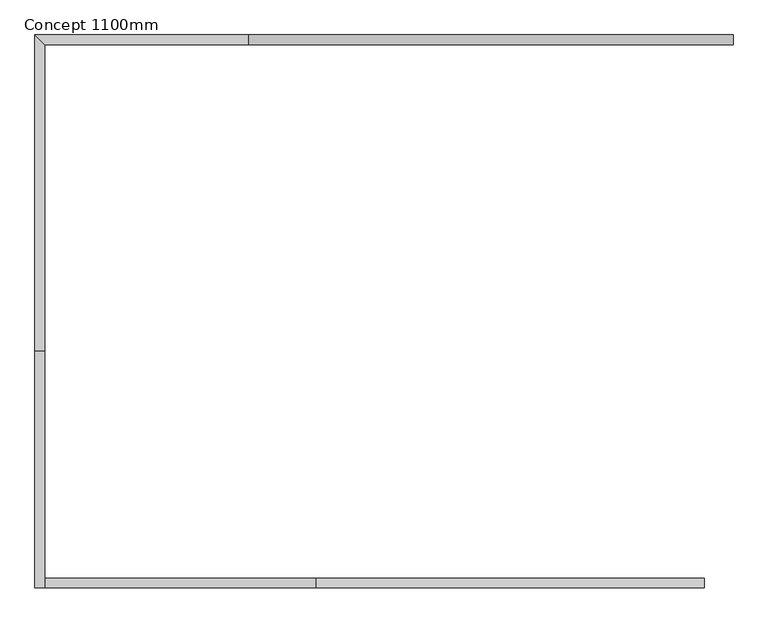
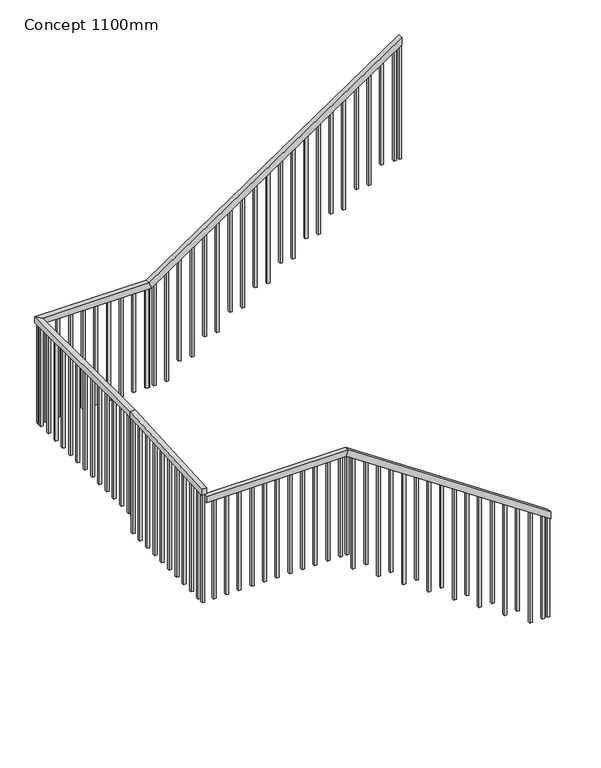
"""IFC4 building model written with IfcOpenShell, lengths in millimetres: railing geometry, Concept 1100mm."""

from ifc_helpers import new_model, si_unit, frame, origin, place, context, project, spatial, polyline, outline, extrude, faceted_brep, source, transform, mapped, element, save


def concept_1100mm_461d3a28(model_context):
    return source(origin(), model_context, "Body", "SolidModel", [
        faceted_brep([(627532.5539109, 62531.9148027, 1268.4210526), (627532.5539109, 62481.9148027, 1268.4210526), (627532.5539109, 62481.9148027, 1196.0756209), (627532.5539109, 62531.9148027, 1196.0756209), (625532.5539109, 62531.9148027, 2615.7894737), (625532.5539109, 62481.9148027, 2615.7894737), (625514.2286606, 62481.9148027, 2555.7894737), (625514.2286606, 62531.9148027, 2555.7894737), (624131.3039109, 62531.9148027, 2615.7894737), (624131.3039109, 62531.9148027, 2555.7894737), (624131.3039109, 62481.9148027, 2555.7894737), (624131.3039109, 62481.9148027, 2615.7894737)], [[[0, 1, 2, 3]], [[1, 0, 4, 5]], [[2, 1, 5, 6]], [[3, 2, 6, 7]], [[0, 3, 7, 4]], [[8, 9, 10, 11]], [[5, 4, 8, 11]], [[6, 5, 11, 10]], [[7, 6, 10, 9]], [[4, 7, 9, 8]]]),
        faceted_brep([(624131.3039109, 62481.9148027, 2712.1144968), (624081.3039109, 62481.9148027, 2712.1144968), (624081.3039109, 62481.9148027, 2652.0098211), (624131.3039109, 62481.9148027, 2652.0098211), (624131.3039109, 63701.9148027, 2784.2105263), (624081.3039109, 63701.9148027, 2784.2105263), (624081.3039109, 63703.6861108, 2724.2105263), (624131.3039109, 63703.6861108, 2724.2105263), (624081.3039109, 65331.9148027, 2784.2105263), (624131.3039109, 65281.9148027, 2784.2105263), (625181.3039109, 65281.9148027, 2784.2105263), (625181.3039109, 65331.9148027, 2784.2105263), (624081.3039109, 65331.9148027, 2724.2105263), (625199.6291611, 65331.9148027, 2724.2105263), (624131.3039109, 65281.9148027, 2724.2105263), (625199.6291611, 65281.9148027, 2724.2105263), (627681.3039109, 65281.9148027, 4468.4210526), (627681.3039109, 65281.9148027, 4396.0756209), (627681.3039109, 65331.9148027, 4396.0756209), (627681.3039109, 65331.9148027, 4468.4210526)], [[[0, 1, 2, 3]], [[1, 0, 4, 5]], [[2, 1, 5, 6]], [[3, 2, 6, 7]], [[0, 3, 7, 4]], [[8, 9, 10, 11]], [[12, 8, 11, 13]], [[14, 12, 13, 15]], [[9, 14, 15, 10]], [[16, 17, 18, 19]], [[11, 10, 16, 19]], [[13, 11, 19, 18]], [[15, 13, 18, 17]], [[10, 15, 17, 16]], [[5, 4, 9, 8]], [[6, 5, 8, 12]], [[7, 6, 12, 14]], [[4, 7, 14, 9]]]),
        extrude(outline(polyline([(3200.0, 627606.3039109), (3200.0, 627631.3039109), (4362.3914104, 627631.3039109), (4345.5493051, 627606.3039109), (3200.0, 627606.3039109)])), frame((0.0, 65294.4148027, 0.0), z_axis=(0.0, 1.0, 0.0), x_axis=(0.0, 0.0, 1.0)), (0.0, 0.0, 1.0), 25.0),
        extrude(outline(polyline([(3200.0, 627481.3039109), (3200.0, 627506.3039109), (4278.180884, 627506.3039109), (4261.3387788, 627481.3039109), (3200.0, 627481.3039109)])), frame((0.0, 65294.4148027, 0.0), z_axis=(0.0, 1.0, 0.0), x_axis=(0.0, 0.0, 1.0)), (0.0, 0.0, 1.0), 25.0),
        extrude(outline(polyline([(3031.5789474, 627356.3039109), (3031.5789474, 627381.3039109), (4193.9703577, 627381.3039109), (4177.1282525, 627356.3039109), (3031.5789474, 627356.3039109)])), frame((0.0, 65294.4148027, 0.0), z_axis=(0.0, 1.0, 0.0), x_axis=(0.0, 0.0, 1.0)), (0.0, 0.0, 1.0), 25.0),
        extrude(outline(polyline([(3031.5789474, 627231.3039109), (3031.5789474, 627256.3039109), (4109.7598314, 627256.3039109), (4092.9177261, 627231.3039109), (3031.5789474, 627231.3039109)])), frame((0.0, 65294.4148027, 0.0), z_axis=(0.0, 1.0, 0.0), x_axis=(0.0, 0.0, 1.0)), (0.0, 0.0, 1.0), 25.0),
        extrude(outline(polyline([(2863.1578947, 627106.3039109), (2863.1578947, 627131.3039109), (4025.5493051, 627131.3039109), (4008.7071998, 627106.3039109), (2863.1578947, 627106.3039109)])), frame((0.0, 65294.4148027, 0.0), z_axis=(0.0, 1.0, 0.0), x_axis=(0.0, 0.0, 1.0)), (0.0, 0.0, 1.0), 25.0),
        extrude(outline(polyline([(2863.1578947, 626981.3039109), (2863.1578947, 627006.3039109), (3941.3387788, 627006.3039109), (3924.4966735, 626981.3039109), (2863.1578947, 626981.3039109)])), frame((0.0, 65294.4148027, 0.0), z_axis=(0.0, 1.0, 0.0), x_axis=(0.0, 0.0, 1.0)), (0.0, 0.0, 1.0), 25.0),
        extrude(outline(polyline([(2694.7368421, 626856.3039109), (2694.7368421, 626881.3039109), (3857.1282525, 626881.3039109), (3840.2861472, 626856.3039109), (2694.7368421, 626856.3039109)])), frame((0.0, 65294.4148027, 0.0), z_axis=(0.0, 1.0, 0.0), x_axis=(0.0, 0.0, 1.0)), (0.0, 0.0, 1.0), 25.0),
        extrude(outline(polyline([(2694.7368421, 626731.3039109), (2694.7368421, 626756.3039109), (3772.9177261, 626756.3039109), (3756.0756209, 626731.3039109), (2694.7368421, 626731.3039109)])), frame((0.0, 65294.4148027, 0.0), z_axis=(0.0, 1.0, 0.0), x_axis=(0.0, 0.0, 1.0)), (0.0, 0.0, 1.0), 25.0),
        extrude(outline(polyline([(2526.3157895, 626606.3039109), (2526.3157895, 626631.3039109), (3688.7071998, 626631.3039109), (3671.8650946, 626606.3039109), (2526.3157895, 626606.3039109)])), frame((0.0, 65294.4148027, 0.0), z_axis=(0.0, 1.0, 0.0), x_axis=(0.0, 0.0, 1.0)), (0.0, 0.0, 1.0), 25.0),
        extrude(outline(polyline([(2526.3157895, 626481.3039109), (2526.3157895, 626506.3039109), (3604.4966735, 626506.3039109), (3587.6545682, 626481.3039109), (2526.3157895, 626481.3039109)])), frame((0.0, 65294.4148027, 0.0), z_axis=(0.0, 1.0, 0.0), x_axis=(0.0, 0.0, 1.0)), (0.0, 0.0, 1.0), 25.0),
        extrude(outline(polyline([(2357.8947368, 626356.3039109), (2357.8947368, 626381.3039109), (3520.2861472, 626381.3039109), (3503.4440419, 626356.3039109), (2357.8947368, 626356.3039109)])), frame((0.0, 65294.4148027, 0.0), z_axis=(0.0, 1.0, 0.0), x_axis=(0.0, 0.0, 1.0)), (0.0, 0.0, 1.0), 25.0),
        extrude(outline(polyline([(2357.8947368, 626231.3039109), (2357.8947368, 626256.3039109), (3436.0756209, 626256.3039109), (3419.2335156, 626231.3039109), (2357.8947368, 626231.3039109)])), frame((0.0, 65294.4148027, 0.0), z_axis=(0.0, 1.0, 0.0), x_axis=(0.0, 0.0, 1.0)), (0.0, 0.0, 1.0), 25.0),
        extrude(outline(polyline([(2189.4736842, 626106.3039109), (2189.4736842, 626131.3039109), (3351.8650946, 626131.3039109), (3335.0229893, 626106.3039109), (2189.4736842, 626106.3039109)])), frame((0.0, 65294.4148027, 0.0), z_axis=(0.0, 1.0, 0.0), x_axis=(0.0, 0.0, 1.0)), (0.0, 0.0, 1.0), 25.0),
        extrude(outline(polyline([(2189.4736842, 625981.3039109), (2189.4736842, 626006.3039109), (3267.6545682, 626006.3039109), (3250.812463, 625981.3039109), (2189.4736842, 625981.3039109)])), frame((0.0, 65294.4148027, 0.0), z_axis=(0.0, 1.0, 0.0), x_axis=(0.0, 0.0, 1.0)), (0.0, 0.0, 1.0), 25.0),
        extrude(outline(polyline([(2021.0526316, 625856.3039109), (2021.0526316, 625881.3039109), (3183.4440419, 625881.3039109), (3166.6019367, 625856.3039109), (2021.0526316, 625856.3039109)])), frame((0.0, 65294.4148027, 0.0), z_axis=(0.0, 1.0, 0.0), x_axis=(0.0, 0.0, 1.0)), (0.0, 0.0, 1.0), 25.0),
        extrude(outline(polyline([(2021.0526316, 625731.3039109), (2021.0526316, 625756.3039109), (3099.2335156, 625756.3039109), (3082.3914104, 625731.3039109), (2021.0526316, 625731.3039109)])), frame((0.0, 65294.4148027, 0.0), z_axis=(0.0, 1.0, 0.0), x_axis=(0.0, 0.0, 1.0)), (0.0, 0.0, 1.0), 25.0),
        extrude(outline(polyline([(1852.6315789, 625606.3039109), (1852.6315789, 625631.3039109), (3015.0229893, 625631.3039109), (2998.180884, 625606.3039109), (1852.6315789, 625606.3039109)])), frame((0.0, 65294.4148027, 0.0), z_axis=(0.0, 1.0, 0.0), x_axis=(0.0, 0.0, 1.0)), (0.0, 0.0, 1.0), 25.0),
        extrude(outline(polyline([(1852.6315789, 625481.3039109), (1852.6315789, 625506.3039109), (2930.812463, 625506.3039109), (2913.9703577, 625481.3039109), (1852.6315789, 625481.3039109)])), frame((0.0, 65294.4148027, 0.0), z_axis=(0.0, 1.0, 0.0), x_axis=(0.0, 0.0, 1.0)), (0.0, 0.0, 1.0), 25.0),
        extrude(outline(polyline([(1684.2105263, 625356.3039109), (1684.2105263, 625381.3039109), (2846.6019367, 625381.3039109), (2829.7598314, 625356.3039109), (1684.2105263, 625356.3039109)])), frame((0.0, 65294.4148027, 0.0), z_axis=(0.0, 1.0, 0.0), x_axis=(0.0, 0.0, 1.0)), (0.0, 0.0, 1.0), 25.0),
        extrude(outline(polyline([(1684.2105263, 625231.3039109), (1684.2105263, 625256.3039109), (2762.3914104, 625256.3039109), (2745.5493051, 625231.3039109), (1684.2105263, 625231.3039109)])), frame((0.0, 65294.4148027, 0.0), z_axis=(0.0, 1.0, 0.0), x_axis=(0.0, 0.0, 1.0)), (0.0, 0.0, 1.0), 25.0),
        extrude(outline(polyline([(625156.3039109, 65319.4148027), (625181.3039109, 65319.4148027), (625181.3039109, 65294.4148027), (625156.3039109, 65294.4148027), (625156.3039109, 65319.4148027)])), frame((0.0, 0.0, 1684.2105263), z_axis=(0.0, 0.0, 1.0), x_axis=(1.0, 0.0, 0.0)), (0.0, 0.0, 1.0), 1040.0),
        extrude(outline(polyline([(625031.3039109, 65319.4148027), (625056.3039109, 65319.4148027), (625056.3039109, 65294.4148027), (625031.3039109, 65294.4148027), (625031.3039109, 65319.4148027)])), frame((0.0, 0.0, 1684.2105263), z_axis=(0.0, 0.0, 1.0), x_axis=(1.0, 0.0, 0.0)), (0.0, 0.0, 1.0), 1040.0),
        extrude(outline(polyline([(624906.3039109, 65319.4148027), (624931.3039109, 65319.4148027), (624931.3039109, 65294.4148027), (624906.3039109, 65294.4148027), (624906.3039109, 65319.4148027)])), frame((0.0, 0.0, 1684.2105263), z_axis=(0.0, 0.0, 1.0), x_axis=(1.0, 0.0, 0.0)), (0.0, 0.0, 1.0), 1040.0),
        extrude(outline(polyline([(624781.3039109, 65319.4148027), (624806.3039109, 65319.4148027), (624806.3039109, 65294.4148027), (624781.3039109, 65294.4148027), (624781.3039109, 65319.4148027)])), frame((0.0, 0.0, 1684.2105263), z_axis=(0.0, 0.0, 1.0), x_axis=(1.0, 0.0, 0.0)), (0.0, 0.0, 1.0), 1040.0),
        extrude(outline(polyline([(624656.3039109, 65319.4148027), (624681.3039109, 65319.4148027), (624681.3039109, 65294.4148027), (624656.3039109, 65294.4148027), (624656.3039109, 65319.4148027)])), frame((0.0, 0.0, 1684.2105263), z_axis=(0.0, 0.0, 1.0), x_axis=(1.0, 0.0, 0.0)), (0.0, 0.0, 1.0), 1040.0),
        extrude(outline(polyline([(624531.3039109, 65319.4148027), (624556.3039109, 65319.4148027), (624556.3039109, 65294.4148027), (624531.3039109, 65294.4148027), (624531.3039109, 65319.4148027)])), frame((0.0, 0.0, 1684.2105263), z_axis=(0.0, 0.0, 1.0), x_axis=(1.0, 0.0, 0.0)), (0.0, 0.0, 1.0), 1040.0),
        extrude(outline(polyline([(624406.3039109, 65319.4148027), (624431.3039109, 65319.4148027), (624431.3039109, 65294.4148027), (624406.3039109, 65294.4148027), (624406.3039109, 65319.4148027)])), frame((0.0, 0.0, 1684.2105263), z_axis=(0.0, 0.0, 1.0), x_axis=(1.0, 0.0, 0.0)), (0.0, 0.0, 1.0), 1040.0),
        extrude(outline(polyline([(624281.3039109, 65319.4148027), (624306.3039109, 65319.4148027), (624306.3039109, 65294.4148027), (624281.3039109, 65294.4148027), (624281.3039109, 65319.4148027)])), frame((0.0, 0.0, 1684.2105263), z_axis=(0.0, 0.0, 1.0), x_axis=(1.0, 0.0, 0.0)), (0.0, 0.0, 1.0), 1040.0),
        extrude(outline(polyline([(624156.3039109, 65319.4148027), (624181.3039109, 65319.4148027), (624181.3039109, 65294.4148027), (624156.3039109, 65294.4148027), (624156.3039109, 65319.4148027)])), frame((0.0, 0.0, 1684.2105263), z_axis=(0.0, 0.0, 1.0), x_axis=(1.0, 0.0, 0.0)), (0.0, 0.0, 1.0), 1040.0),
        extrude(outline(polyline([(624093.8039109, 65251.9148027), (624093.8039109, 65276.9148027), (624118.8039109, 65276.9148027), (624118.8039109, 65251.9148027), (624093.8039109, 65251.9148027)])), frame((0.0, 0.0, 1684.2105263), z_axis=(0.0, 0.0, 1.0), x_axis=(1.0, 0.0, 0.0)), (0.0, 0.0, 1.0), 1040.0),
        extrude(outline(polyline([(624093.8039109, 65126.9148027), (624093.8039109, 65151.9148027), (624118.8039109, 65151.9148027), (624118.8039109, 65126.9148027), (624093.8039109, 65126.9148027)])), frame((0.0, 0.0, 1684.2105263), z_axis=(0.0, 0.0, 1.0), x_axis=(1.0, 0.0, 0.0)), (0.0, 0.0, 1.0), 1040.0),
        extrude(outline(polyline([(624093.8039109, 65001.9148027), (624093.8039109, 65026.9148027), (624118.8039109, 65026.9148027), (624118.8039109, 65001.9148027), (624093.8039109, 65001.9148027)])), frame((0.0, 0.0, 1684.2105263), z_axis=(0.0, 0.0, 1.0), x_axis=(1.0, 0.0, 0.0)), (0.0, 0.0, 1.0), 1040.0),
        extrude(outline(polyline([(624093.8039109, 64876.9148027), (624093.8039109, 64901.9148027), (624118.8039109, 64901.9148027), (624118.8039109, 64876.9148027), (624093.8039109, 64876.9148027)])), frame((0.0, 0.0, 1684.2105263), z_axis=(0.0, 0.0, 1.0), x_axis=(1.0, 0.0, 0.0)), (0.0, 0.0, 1.0), 1040.0),
        extrude(outline(polyline([(624093.8039109, 64751.9148027), (624093.8039109, 64776.9148027), (624118.8039109, 64776.9148027), (624118.8039109, 64751.9148027), (624093.8039109, 64751.9148027)])), frame((0.0, 0.0, 1684.2105263), z_axis=(0.0, 0.0, 1.0), x_axis=(1.0, 0.0, 0.0)), (0.0, 0.0, 1.0), 1040.0),
        extrude(outline(polyline([(624093.8039109, 64626.9148027), (624093.8039109, 64651.9148027), (624118.8039109, 64651.9148027), (624118.8039109, 64626.9148027), (624093.8039109, 64626.9148027)])), frame((0.0, 0.0, 1684.2105263), z_axis=(0.0, 0.0, 1.0), x_axis=(1.0, 0.0, 0.0)), (0.0, 0.0, 1.0), 1040.0),
        extrude(outline(polyline([(624093.8039109, 64501.9148027), (624093.8039109, 64526.9148027), (624118.8039109, 64526.9148027), (624118.8039109, 64501.9148027), (624093.8039109, 64501.9148027)])), frame((0.0, 0.0, 1684.2105263), z_axis=(0.0, 0.0, 1.0), x_axis=(1.0, 0.0, 0.0)), (0.0, 0.0, 1.0), 1040.0),
        extrude(outline(polyline([(624093.8039109, 64376.9148027), (624093.8039109, 64401.9148027), (624118.8039109, 64401.9148027), (624118.8039109, 64376.9148027), (624093.8039109, 64376.9148027)])), frame((0.0, 0.0, 1684.2105263), z_axis=(0.0, 0.0, 1.0), x_axis=(1.0, 0.0, 0.0)), (0.0, 0.0, 1.0), 1040.0),
        extrude(outline(polyline([(624093.8039109, 64251.9148027), (624093.8039109, 64276.9148027), (624118.8039109, 64276.9148027), (624118.8039109, 64251.9148027), (624093.8039109, 64251.9148027)])), frame((0.0, 0.0, 1684.2105263), z_axis=(0.0, 0.0, 1.0), x_axis=(1.0, 0.0, 0.0)), (0.0, 0.0, 1.0), 1040.0),
        extrude(outline(polyline([(624093.8039109, 64126.9148027), (624093.8039109, 64151.9148027), (624118.8039109, 64151.9148027), (624118.8039109, 64126.9148027), (624093.8039109, 64126.9148027)])), frame((0.0, 0.0, 1684.2105263), z_axis=(0.0, 0.0, 1.0), x_axis=(1.0, 0.0, 0.0)), (0.0, 0.0, 1.0), 1040.0),
        extrude(outline(polyline([(624093.8039109, 64001.9148027), (624093.8039109, 64026.9148027), (624118.8039109, 64026.9148027), (624118.8039109, 64001.9148027), (624093.8039109, 64001.9148027)])), frame((0.0, 0.0, 1684.2105263), z_axis=(0.0, 0.0, 1.0), x_axis=(1.0, 0.0, 0.0)), (0.0, 0.0, 1.0), 1040.0),
        extrude(outline(polyline([(624093.8039109, 63876.9148027), (624093.8039109, 63901.9148027), (624118.8039109, 63901.9148027), (624118.8039109, 63876.9148027), (624093.8039109, 63876.9148027)])), frame((0.0, 0.0, 1684.2105263), z_axis=(0.0, 0.0, 1.0), x_axis=(1.0, 0.0, 0.0)), (0.0, 0.0, 1.0), 1040.0),
        extrude(outline(polyline([(624093.8039109, 63751.9148027), (624093.8039109, 63776.9148027), (624118.8039109, 63776.9148027), (624118.8039109, 63751.9148027), (624093.8039109, 63751.9148027)])), frame((0.0, 0.0, 1684.2105263), z_axis=(0.0, 0.0, 1.0), x_axis=(1.0, 0.0, 0.0)), (0.0, 0.0, 1.0), 1040.0),
        extrude(outline(polyline([(63681.9148027, 2722.9239486), (63706.9148027, 2724.4013262), (63706.9148027, 1515.7894737), (63681.9148027, 1515.7894737), (63681.9148027, 2722.9239486)])), frame((624093.8039109, 0.0, 0.0), z_axis=(1.0, 0.0, 0.0), x_axis=(0.0, 1.0, 0.0)), (0.0, 0.0, 1.0), 25.0),
        extrude(outline(polyline([(63556.9148027, 2715.5370603), (63581.9148027, 2717.0144379), (63581.9148027, 1515.7894737), (63556.9148027, 1515.7894737), (63556.9148027, 2715.5370603)])), frame((624093.8039109, 0.0, 0.0), z_axis=(1.0, 0.0, 0.0), x_axis=(0.0, 1.0, 0.0)), (0.0, 0.0, 1.0), 25.0),
        extrude(outline(polyline([(63431.9148027, 2708.150172), (63456.9148027, 2709.6275497), (63456.9148027, 1515.7894737), (63431.9148027, 1515.7894737), (63431.9148027, 2708.150172)])), frame((624093.8039109, 0.0, 0.0), z_axis=(1.0, 0.0, 0.0), x_axis=(0.0, 1.0, 0.0)), (0.0, 0.0, 1.0), 25.0),
        extrude(outline(polyline([(63306.9148027, 2700.7632837), (63331.9148027, 2702.2406614), (63331.9148027, 1515.7894737), (63306.9148027, 1515.7894737), (63306.9148027, 2700.7632837)])), frame((624093.8039109, 0.0, 0.0), z_axis=(1.0, 0.0, 0.0), x_axis=(0.0, 1.0, 0.0)), (0.0, 0.0, 1.0), 25.0),
        extrude(outline(polyline([(63181.9148027, 2693.3763955), (63206.9148027, 2694.8537731), (63206.9148027, 1515.7894737), (63181.9148027, 1515.7894737), (63181.9148027, 2693.3763955)])), frame((624093.8039109, 0.0, 0.0), z_axis=(1.0, 0.0, 0.0), x_axis=(0.0, 1.0, 0.0)), (0.0, 0.0, 1.0), 25.0),
        extrude(outline(polyline([(63056.9148027, 2685.9895072), (63081.9148027, 2687.4668848), (63081.9148027, 1515.7894737), (63056.9148027, 1515.7894737), (63056.9148027, 2685.9895072)])), frame((624093.8039109, 0.0, 0.0), z_axis=(1.0, 0.0, 0.0), x_axis=(0.0, 1.0, 0.0)), (0.0, 0.0, 1.0), 25.0),
        extrude(outline(polyline([(62931.9148027, 2678.6026189), (62956.9148027, 2680.0799966), (62956.9148027, 1515.7894737), (62931.9148027, 1515.7894737), (62931.9148027, 2678.6026189)])), frame((624093.8039109, 0.0, 0.0), z_axis=(1.0, 0.0, 0.0), x_axis=(0.0, 1.0, 0.0)), (0.0, 0.0, 1.0), 25.0),
        extrude(outline(polyline([(62806.9148027, 2671.2157306), (62831.9148027, 2672.6931083), (62831.9148027, 1515.7894737), (62806.9148027, 1515.7894737), (62806.9148027, 2671.2157306)])), frame((624093.8039109, 0.0, 0.0), z_axis=(1.0, 0.0, 0.0), x_axis=(0.0, 1.0, 0.0)), (0.0, 0.0, 1.0), 25.0),
        extrude(outline(polyline([(62681.9148027, 2663.8288424), (62706.9148027, 2665.30622), (62706.9148027, 1515.7894737), (62681.9148027, 1515.7894737), (62681.9148027, 2663.8288424)])), frame((624093.8039109, 0.0, 0.0), z_axis=(1.0, 0.0, 0.0), x_axis=(0.0, 1.0, 0.0)), (0.0, 0.0, 1.0), 25.0),
        extrude(outline(polyline([(62556.9148027, 2656.4419541), (62581.9148027, 2657.9193317), (62581.9148027, 1515.7894737), (62556.9148027, 1515.7894737), (62556.9148027, 2656.4419541)])), frame((624093.8039109, 0.0, 0.0), z_axis=(1.0, 0.0, 0.0), x_axis=(0.0, 1.0, 0.0)), (0.0, 0.0, 1.0), 25.0),
        extrude(outline(polyline([(624232.5539109, 62494.4148027), (624207.5539109, 62494.4148027), (624207.5539109, 62519.4148027), (624232.5539109, 62519.4148027), (624232.5539109, 62494.4148027)])), frame((0.0, 0.0, 1515.7894737), z_axis=(0.0, 0.0, 1.0), x_axis=(1.0, 0.0, 0.0)), (0.0, 0.0, 1.0), 1040.0),
        extrude(outline(polyline([(624357.5539109, 62494.4148027), (624332.5539109, 62494.4148027), (624332.5539109, 62519.4148027), (624357.5539109, 62519.4148027), (624357.5539109, 62494.4148027)])), frame((0.0, 0.0, 1515.7894737), z_axis=(0.0, 0.0, 1.0), x_axis=(1.0, 0.0, 0.0)), (0.0, 0.0, 1.0), 1040.0),
        extrude(outline(polyline([(624482.5539109, 62494.4148027), (624457.5539109, 62494.4148027), (624457.5539109, 62519.4148027), (624482.5539109, 62519.4148027), (624482.5539109, 62494.4148027)])), frame((0.0, 0.0, 1515.7894737), z_axis=(0.0, 0.0, 1.0), x_axis=(1.0, 0.0, 0.0)), (0.0, 0.0, 1.0), 1040.0),
        extrude(outline(polyline([(624607.5539109, 62494.4148027), (624582.5539109, 62494.4148027), (624582.5539109, 62519.4148027), (624607.5539109, 62519.4148027), (624607.5539109, 62494.4148027)])), frame((0.0, 0.0, 1515.7894737), z_axis=(0.0, 0.0, 1.0), x_axis=(1.0, 0.0, 0.0)), (0.0, 0.0, 1.0), 1040.0),
        extrude(outline(polyline([(624732.5539109, 62494.4148027), (624707.5539109, 62494.4148027), (624707.5539109, 62519.4148027), (624732.5539109, 62519.4148027), (624732.5539109, 62494.4148027)])), frame((0.0, 0.0, 1515.7894737), z_axis=(0.0, 0.0, 1.0), x_axis=(1.0, 0.0, 0.0)), (0.0, 0.0, 1.0), 1040.0),
        extrude(outline(polyline([(624857.5539109, 62494.4148027), (624832.5539109, 62494.4148027), (624832.5539109, 62519.4148027), (624857.5539109, 62519.4148027), (624857.5539109, 62494.4148027)])), frame((0.0, 0.0, 1515.7894737), z_axis=(0.0, 0.0, 1.0), x_axis=(1.0, 0.0, 0.0)), (0.0, 0.0, 1.0), 1040.0),
        extrude(outline(polyline([(624982.5539109, 62494.4148027), (624957.5539109, 62494.4148027), (624957.5539109, 62519.4148027), (624982.5539109, 62519.4148027), (624982.5539109, 62494.4148027)])), frame((0.0, 0.0, 1515.7894737), z_axis=(0.0, 0.0, 1.0), x_axis=(1.0, 0.0, 0.0)), (0.0, 0.0, 1.0), 1040.0),
        extrude(outline(polyline([(625107.5539109, 62494.4148027), (625082.5539109, 62494.4148027), (625082.5539109, 62519.4148027), (625107.5539109, 62519.4148027), (625107.5539109, 62494.4148027)])), frame((0.0, 0.0, 1515.7894737), z_axis=(0.0, 0.0, 1.0), x_axis=(1.0, 0.0, 0.0)), (0.0, 0.0, 1.0), 1040.0),
        extrude(outline(polyline([(625232.5539109, 62494.4148027), (625207.5539109, 62494.4148027), (625207.5539109, 62519.4148027), (625232.5539109, 62519.4148027), (625232.5539109, 62494.4148027)])), frame((0.0, 0.0, 1515.7894737), z_axis=(0.0, 0.0, 1.0), x_axis=(1.0, 0.0, 0.0)), (0.0, 0.0, 1.0), 1040.0),
        extrude(outline(polyline([(625357.5539109, 62494.4148027), (625332.5539109, 62494.4148027), (625332.5539109, 62519.4148027), (625357.5539109, 62519.4148027), (625357.5539109, 62494.4148027)])), frame((0.0, 0.0, 1515.7894737), z_axis=(0.0, 0.0, 1.0), x_axis=(1.0, 0.0, 0.0)), (0.0, 0.0, 1.0), 1040.0),
        extrude(outline(polyline([(625482.5539109, 62494.4148027), (625457.5539109, 62494.4148027), (625457.5539109, 62519.4148027), (625482.5539109, 62519.4148027), (625482.5539109, 62494.4148027)])), frame((0.0, 0.0, 1515.7894737), z_axis=(0.0, 0.0, 1.0), x_axis=(1.0, 0.0, 0.0)), (0.0, 0.0, 1.0), 1040.0),
        extrude(outline(polyline([(2492.9177261, 625607.5539109), (2509.7598314, 625582.5539109), (1347.3684211, 625582.5539109), (1347.3684211, 625607.5539109), (2492.9177261, 625607.5539109)])), frame((0.0, 62494.4148027, 0.0), z_axis=(0.0, 1.0, 0.0), x_axis=(0.0, 0.0, 1.0)), (0.0, 0.0, 1.0), 25.0),
        extrude(outline(polyline([(2408.7071998, 625732.5539109), (2425.5493051, 625707.5539109), (1347.3684211, 625707.5539109), (1347.3684211, 625732.5539109), (2408.7071998, 625732.5539109)])), frame((0.0, 62494.4148027, 0.0), z_axis=(0.0, 1.0, 0.0), x_axis=(0.0, 0.0, 1.0)), (0.0, 0.0, 1.0), 25.0),
        extrude(outline(polyline([(2324.4966735, 625857.5539109), (2341.3387788, 625832.5539109), (1178.9473684, 625832.5539109), (1178.9473684, 625857.5539109), (2324.4966735, 625857.5539109)])), frame((0.0, 62494.4148027, 0.0), z_axis=(0.0, 1.0, 0.0), x_axis=(0.0, 0.0, 1.0)), (0.0, 0.0, 1.0), 25.0),
        extrude(outline(polyline([(2240.2861472, 625982.5539109), (2257.1282525, 625957.5539109), (1178.9473684, 625957.5539109), (1178.9473684, 625982.5539109), (2240.2861472, 625982.5539109)])), frame((0.0, 62494.4148027, 0.0), z_axis=(0.0, 1.0, 0.0), x_axis=(0.0, 0.0, 1.0)), (0.0, 0.0, 1.0), 25.0),
        extrude(outline(polyline([(2156.0756209, 626107.5539109), (2172.9177261, 626082.5539109), (1010.5263158, 626082.5539109), (1010.5263158, 626107.5539109), (2156.0756209, 626107.5539109)])), frame((0.0, 62494.4148027, 0.0), z_axis=(0.0, 1.0, 0.0), x_axis=(0.0, 0.0, 1.0)), (0.0, 0.0, 1.0), 25.0),
        extrude(outline(polyline([(2071.8650946, 626232.5539109), (2088.7071998, 626207.5539109), (1010.5263158, 626207.5539109), (1010.5263158, 626232.5539109), (2071.8650946, 626232.5539109)])), frame((0.0, 62494.4148027, 0.0), z_axis=(0.0, 1.0, 0.0), x_axis=(0.0, 0.0, 1.0)), (0.0, 0.0, 1.0), 25.0),
        extrude(outline(polyline([(1987.6545682, 626357.5539109), (2004.4966735, 626332.5539109), (842.1052632, 626332.5539109), (842.1052632, 626357.5539109), (1987.6545682, 626357.5539109)])), frame((0.0, 62494.4148027, 0.0), z_axis=(0.0, 1.0, 0.0), x_axis=(0.0, 0.0, 1.0)), (0.0, 0.0, 1.0), 25.0),
        extrude(outline(polyline([(1903.4440419, 626482.5539109), (1920.2861472, 626457.5539109), (842.1052632, 626457.5539109), (842.1052632, 626482.5539109), (1903.4440419, 626482.5539109)])), frame((0.0, 62494.4148027, 0.0), z_axis=(0.0, 1.0, 0.0), x_axis=(0.0, 0.0, 1.0)), (0.0, 0.0, 1.0), 25.0),
        extrude(outline(polyline([(1819.2335156, 626607.5539109), (1836.0756209, 626582.5539109), (673.6842105, 626582.5539109), (673.6842105, 626607.5539109), (1819.2335156, 626607.5539109)])), frame((0.0, 62494.4148027, 0.0), z_axis=(0.0, 1.0, 0.0), x_axis=(0.0, 0.0, 1.0)), (0.0, 0.0, 1.0), 25.0),
        extrude(outline(polyline([(1735.0229893, 626732.5539109), (1751.8650946, 626707.5539109), (673.6842105, 626707.5539109), (673.6842105, 626732.5539109), (1735.0229893, 626732.5539109)])), frame((0.0, 62494.4148027, 0.0), z_axis=(0.0, 1.0, 0.0), x_axis=(0.0, 0.0, 1.0)), (0.0, 0.0, 1.0), 25.0),
        extrude(outline(polyline([(1650.812463, 626857.5539109), (1667.6545682, 626832.5539109), (505.2631579, 626832.5539109), (505.2631579, 626857.5539109), (1650.812463, 626857.5539109)])), frame((0.0, 62494.4148027, 0.0), z_axis=(0.0, 1.0, 0.0), x_axis=(0.0, 0.0, 1.0)), (0.0, 0.0, 1.0), 25.0),
        extrude(outline(polyline([(1566.6019367, 626982.5539109), (1583.4440419, 626957.5539109), (505.2631579, 626957.5539109), (505.2631579, 626982.5539109), (1566.6019367, 626982.5539109)])), frame((0.0, 62494.4148027, 0.0), z_axis=(0.0, 1.0, 0.0), x_axis=(0.0, 0.0, 1.0)), (0.0, 0.0, 1.0), 25.0),
        extrude(outline(polyline([(1482.3914104, 627107.5539109), (1499.2335156, 627082.5539109), (336.8421053, 627082.5539109), (336.8421053, 627107.5539109), (1482.3914104, 627107.5539109)])), frame((0.0, 62494.4148027, 0.0), z_axis=(0.0, 1.0, 0.0), x_axis=(0.0, 0.0, 1.0)), (0.0, 0.0, 1.0), 25.0),
        extrude(outline(polyline([(1398.180884, 627232.5539109), (1415.0229893, 627207.5539109), (336.8421053, 627207.5539109), (336.8421053, 627232.5539109), (1398.180884, 627232.5539109)])), frame((0.0, 62494.4148027, 0.0), z_axis=(0.0, 1.0, 0.0), x_axis=(0.0, 0.0, 1.0)), (0.0, 0.0, 1.0), 25.0),
        extrude(outline(polyline([(1313.9703577, 627357.5539109), (1330.812463, 627332.5539109), (168.4210526, 627332.5539109), (168.4210526, 627357.5539109), (1313.9703577, 627357.5539109)])), frame((0.0, 62494.4148027, 0.0), z_axis=(0.0, 1.0, 0.0), x_axis=(0.0, 0.0, 1.0)), (0.0, 0.0, 1.0), 25.0),
        extrude(outline(polyline([(1229.7598314, 627482.5539109), (1246.6019367, 627457.5539109), (168.4210526, 627457.5539109), (168.4210526, 627482.5539109), (1229.7598314, 627482.5539109)])), frame((0.0, 62494.4148027, 0.0), z_axis=(0.0, 1.0, 0.0), x_axis=(0.0, 0.0, 1.0)), (0.0, 0.0, 1.0), 25.0),
        extrude(outline(polyline([(625168.8039109, 65319.4148027), (625193.8039109, 65319.4148027), (625193.8039109, 65294.4148027), (625168.8039109, 65294.4148027), (625168.8039109, 65319.4148027)])), frame((0.0, 0.0, 1684.2105263), z_axis=(0.0, 0.0, 1.0), x_axis=(1.0, 0.0, 0.0)), (0.0, 0.0, 1.0), 1040.0),
        extrude(outline(polyline([(624093.8039109, 65294.4148027), (624093.8039109, 65319.4148027), (624118.8039109, 65319.4148027), (624118.8039109, 65294.4148027), (624093.8039109, 65294.4148027)])), frame((0.0, 0.0, 1684.2105263), z_axis=(0.0, 0.0, 1.0), x_axis=(1.0, 0.0, 0.0)), (0.0, 0.0, 1.0), 1040.0),
        extrude(outline(polyline([(63689.4148027, 2723.3671618), (63714.4148027, 2724.8445395), (63714.4148027, 1684.2105263), (63689.4148027, 1684.2105263), (63689.4148027, 2723.3671618)])), frame((624093.8039109, 0.0, 0.0), z_axis=(1.0, 0.0, 0.0), x_axis=(0.0, 1.0, 0.0)), (0.0, 0.0, 1.0), 25.0),
        extrude(outline(polyline([(62494.4148027, 2652.74851), (62519.4148027, 2654.2258876), (62519.4148027, 1515.7894737), (62494.4148027, 1515.7894737), (62494.4148027, 2652.74851)])), frame((624093.8039109, 0.0, 0.0), z_axis=(1.0, 0.0, 0.0), x_axis=(0.0, 1.0, 0.0)), (0.0, 0.0, 1.0), 25.0),
        extrude(outline(polyline([(625545.0539109, 62494.4148027), (625520.0539109, 62494.4148027), (625520.0539109, 62519.4148027), (625545.0539109, 62519.4148027), (625545.0539109, 62494.4148027)])), frame((0.0, 0.0, 1515.7894737), z_axis=(0.0, 0.0, 1.0), x_axis=(1.0, 0.0, 0.0)), (0.0, 0.0, 1.0), 1040.0),
        extrude(outline(polyline([(3200.0, 627656.3039109), (3200.0, 627681.3039109), (4396.0756209, 627681.3039109), (4379.2335156, 627656.3039109), (3200.0, 627656.3039109)])), frame((0.0, 65294.4148027, 0.0), z_axis=(0.0, 1.0, 0.0), x_axis=(0.0, 0.0, 1.0)), (0.0, 0.0, 1.0), 25.0),
        extrude(outline(polyline([(1196.0756209, 627532.5539109), (1212.9177261, 627507.5539109), (168.4210526, 627507.5539109), (168.4210526, 627532.5539109), (1196.0756209, 627532.5539109)])), frame((0.0, 62494.4148027, 0.0), z_axis=(0.0, 1.0, 0.0), x_axis=(0.0, 0.0, 1.0)), (0.0, 0.0, 1.0), 25.0),
    ])


if __name__ == "__main__":
    model = new_model("IFC4")
    model_context = context("Model", 3, world=origin())
    ifc_project = project(units=[si_unit("LENGTHUNIT", "METRE", prefix="MILLI")], contexts=[model_context])
    site = spatial("IfcSite", under=ifc_project)
    building = spatial("IfcBuilding", under=site)
    placement = place(None, origin())
    concept_1100mm_shape = concept_1100mm_461d3a28(model_context)
    element("IfcRailing", 1, ObjectType="Concept 1100mm", at=placement, inside=building, context=model_context, shape_type="MappedRepresentation", body=[
        mapped(concept_1100mm_shape, transform((0.0, 0.0, 0.0), x_axis=(1.0, 0.0, 0.0), y_axis=(0.0, 1.0, 0.0), z_axis=(0.0, 0.0, 1.0))),
    ])
    save(model, "model.ifc")
